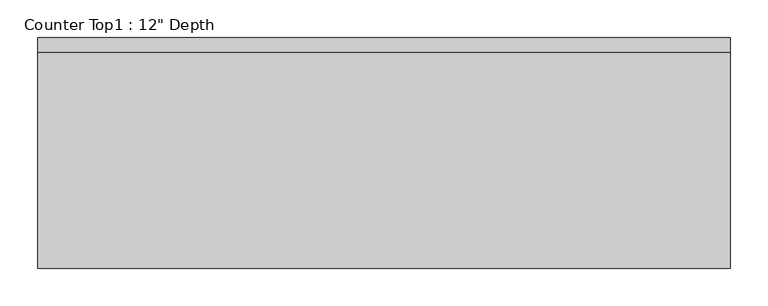
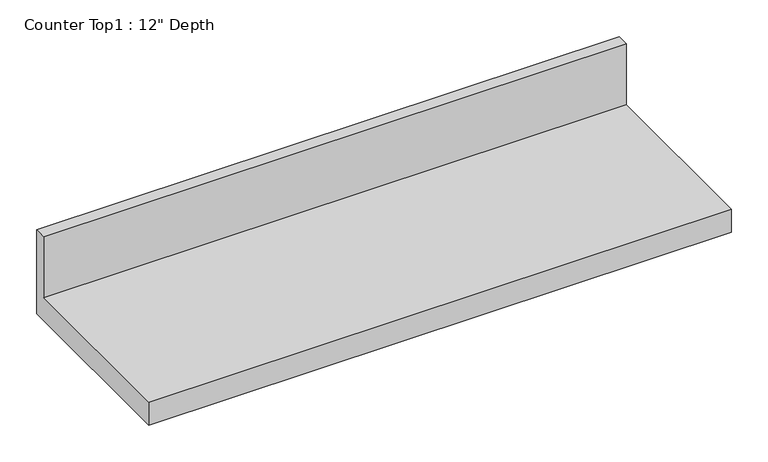
"""IFC4 building model written with IfcOpenShell, lengths in millimetres: furniture geometry."""

import ifcopenshell
import ifcopenshell.guid

model = None  # the IFC model being written
_history = None  # IfcOwnerHistory: only IFC2X3 demands one
_inside = {}  # id of a spatial element -> (the spatial element, [elements in it])
_under = {}  # id of a project, library or spatial element -> (it, [spatial elements below it])
_declared = {}  # id of a project -> (the project, [libraries it declares])
_typed = {}  # id of a type object -> (the type object, [elements of that type])
_made_of = {}  # id of a material, layer set ... -> (it, [elements and type objects made of it])


def new_model(schema):
    """Start an empty IFC model of exactly this schema.

    Asked for "IFC4X3", IfcOpenShell would pick the latest addendum, in which some entities
    have other attributes; the version numbers below select the first issue.
    IFC2X3 requires an IfcOwnerHistory on every rooted entity: one is made here for all.
    """
    global model, _history
    if schema == "IFC4X3":
        model = ifcopenshell.file(schema_version=(4, 3, 0, 0))
    else:
        model = ifcopenshell.file(schema=schema)
    _inside.clear()
    _under.clear()
    _declared.clear()
    _typed.clear()
    _made_of.clear()
    _history = None
    if model.schema == "IFC2X3":
        org = make("IfcOrganization", Name="unknown")
        user = make(
            "IfcPersonAndOrganization",
            ThePerson=make("IfcPerson", FamilyName="unknown"),
            TheOrganization=org,
        )
        app = make(
            "IfcApplication",
            ApplicationDeveloper=org,
            Version="unknown",
            ApplicationFullName="unknown",
            ApplicationIdentifier="unknown",
        )
        _history = make(
            "IfcOwnerHistory",
            OwningUser=user,
            OwningApplication=app,
            ChangeAction="ADDED",
            CreationDate=0,
        )
    return model


def make(cls, **values):
    """One entity of the class cls with the attributes given. An attribute that is None is left unset."""
    return model.create_entity(
        cls, **{name: value for name, value in values.items() if value is not None}
    )


def rooted(cls, **values):
    """An entity with a GlobalId (a new one), such as an element, a storey or a relation."""
    return make(cls, GlobalId=ifcopenshell.guid.new(), OwnerHistory=_history, **values)


def si_unit(unit_type, name, prefix=None):
    """IfcSIUnit, for example si_unit("LENGTHUNIT", "METRE", prefix="MILLI")."""
    return make("IfcSIUnit", UnitType=unit_type, Prefix=prefix, Name=name)


def assignment(units):
    """IfcUnitAssignment: the units of a project."""
    return None if units is None else make("IfcUnitAssignment", Units=units)


def point(xyz):
    """IfcCartesianPoint."""
    return None if xyz is None else make("IfcCartesianPoint", Coordinates=xyz)


def direction(xyz):
    """IfcDirection."""
    return None if xyz is None else make("IfcDirection", DirectionRatios=xyz)


def frame(location, z_axis=None, x_axis=None):
    """IfcAxis2Placement3D, a coordinate frame: its origin and axes. An axis left out is left unset."""
    return make(
        "IfcAxis2Placement3D",
        Location=point(location),
        Axis=direction(z_axis),
        RefDirection=direction(x_axis),
    )


def origin():
    """The frame at (0, 0, 0) with its axes left unset."""
    return frame((0.0, 0.0, 0.0))


def place(relative_to, where):
    """IfcLocalPlacement: puts the frame where relative to a parent placement (None: the world)."""
    return make(
        "IfcLocalPlacement", PlacementRelTo=relative_to, RelativePlacement=where
    )


def context(
    kind, dimensions, precision=None, world=None, true_north=None, identifier=None
):
    """IfcGeometricRepresentationContext, for example the 3D "Model" context."""
    return make(
        "IfcGeometricRepresentationContext",
        ContextIdentifier=identifier,
        ContextType=kind,
        CoordinateSpaceDimension=dimensions,
        Precision=precision,
        WorldCoordinateSystem=world,
        TrueNorth=true_north,
    )


def project(units=None, contexts=None):
    """IfcProject with its units and contexts."""
    return rooted(
        "IfcProject",
        Name="project",
        RepresentationContexts=contexts,
        UnitsInContext=assignment(units),
    )


def spatial(cls, under=None, at=None, **own):
    """A site, building, storey or space (cls), placed at a placement, below another one or the project."""
    s = rooted(cls, ObjectPlacement=at, **own)
    if under is not None:
        _under.setdefault(under.id(), (under, []))[1].append(s)
    return s


def polyline(points):
    """IfcPolyline through the points."""
    return make("IfcPolyline", Points=[point(p) for p in points])


def outline(outer, holes=None, kind="AREA"):
    """IfcArbitraryClosedProfileDef: a profile drawn as a closed curve; with holes, ...WithVoids."""
    if holes is None:
        return make("IfcArbitraryClosedProfileDef", ProfileType=kind, OuterCurve=outer)
    return make(
        "IfcArbitraryProfileDefWithVoids",
        ProfileType=kind,
        OuterCurve=outer,
        InnerCurves=holes,
    )


def extrude(swept, where, along, depth):
    """IfcExtrudedAreaSolid: the profile swept, set in the frame where, extruded along a direction by depth."""
    return make(
        "IfcExtrudedAreaSolid",
        SweptArea=swept,
        Position=where,
        ExtrudedDirection=direction(along),
        Depth=depth,
    )


def shape(context_of_items, identifier, shape_type, items):
    """IfcShapeRepresentation: the items that make up one representation, for example the "Body"."""
    return make(
        "IfcShapeRepresentation",
        ContextOfItems=context_of_items,
        RepresentationIdentifier=identifier,
        RepresentationType=shape_type,
        Items=items,
    )


def source(mapping_origin, context_of_items, identifier, shape_type, items):
    """IfcRepresentationMap: a shape defined once, which mapped items show again and again."""
    return make(
        "IfcRepresentationMap",
        MappingOrigin=mapping_origin,
        MappedRepresentation=shape(context_of_items, identifier, shape_type, items),
    )


def transform(
    local_origin,
    x_axis=None,
    y_axis=None,
    z_axis=None,
    scale=None,
    scale2=None,
    scale3=None,
    uniform=True,
):
    """IfcCartesianTransformationOperator3D, or its non-uniform kind. x_axis, y_axis, z_axis: its Axis1, 2, 3."""
    if uniform:
        return make(
            "IfcCartesianTransformationOperator3D",
            Axis1=direction(x_axis),
            Axis2=direction(y_axis),
            LocalOrigin=point(local_origin),
            Scale=scale,
            Axis3=direction(z_axis),
        )
    return make(
        "IfcCartesianTransformationOperator3DnonUniform",
        Axis1=direction(x_axis),
        Axis2=direction(y_axis),
        LocalOrigin=point(local_origin),
        Scale=scale,
        Axis3=direction(z_axis),
        Scale2=scale2,
        Scale3=scale3,
    )


def mapped(mapping_source, mapping_target):
    """IfcMappedItem: shows the shape of a source again, moved by a transform."""
    return make(
        "IfcMappedItem", MappingSource=mapping_source, MappingTarget=mapping_target
    )


def made_of(thing, what):
    """Note that an element or type object is made of a material, layer set ...; save() writes the relation."""
    if what is not None:
        _made_of.setdefault(what.id(), (what, []))[1].append(thing)
    return thing


def element(
    cls,
    number,
    at=None,
    inside=None,
    cuts=None,
    type_object=None,
    material=None,
    context=None,
    identifier="Body",
    shape_type=None,
    held_by="IfcProductDefinitionShape",
    body=None,
    shapes=None,
    **own,
):
    """One element of the class cls, such as IfcWall. Its Tag is "e" and its number.

    at: its placement. inside: the storey or other place that contains it. cuts: it is an
    opening in that element (IfcRelVoidsElement). A single representation is given by context,
    identifier, shape_type and body (its items); several are given by shapes. held_by: the class
    of the entity that holds the representations. save() writes the other relations.
    """
    e = rooted(cls, Tag="e%d" % number, ObjectPlacement=at, **own)
    if body is not None:
        shapes = [shape(context, identifier, shape_type, body)]
    if shapes is not None:
        e.Representation = make(held_by, Representations=shapes)
    if inside is not None:
        _inside.setdefault(inside.id(), (inside, []))[1].append(e)
    if cuts is not None:
        rooted(
            "IfcRelVoidsElement", RelatingBuildingElement=cuts, RelatedOpeningElement=e
        )
    if type_object is not None:
        _typed.setdefault(type_object.id(), (type_object, []))[1].append(e)
    return made_of(e, material)


def aggregate(whole, parts):
    """IfcRelAggregates: a whole, such as a stair, and the parts it consists of."""
    return rooted("IfcRelAggregates", RelatingObject=whole, RelatedObjects=parts)


def save(model, path):
    """Write the relations noted so far, then the file.

    IfcRelAggregates (storeys below a building ...), IfcRelContainedInSpatialStructure (elements
    in a storey), IfcRelDefinesByType, IfcRelAssociatesMaterial and IfcRelDeclares: one each for
    every whole, place, type object, material and project.
    """
    for whole, parts in _under.values():
        aggregate(whole, parts)
    for where, things in _inside.values():
        rooted(
            "IfcRelContainedInSpatialStructure",
            RelatedElements=things,
            RelatingStructure=where,
        )
    for kind, things in _typed.values():
        rooted("IfcRelDefinesByType", RelatedObjects=things, RelatingType=kind)
    for what, things in _made_of.values():
        rooted("IfcRelAssociatesMaterial", RelatedObjects=things, RelatingMaterial=what)
    for by, libraries in _declared.values():
        rooted("IfcRelDeclares", RelatingContext=by, RelatedDefinitions=libraries)
    model.write(path)


def furniture_0eb33304(model_context):
    return source(origin(), model_context, "Body", "SweptSolid", [
        extrude(outline(polyline([(0.0, 1016.0), (0.0, 876.3), (-304.8, 876.3), (-304.8, 914.4), (-19.05, 914.4), (-19.05, 1016.0), (0.0, 1016.0)])), frame((-1200.4622951, 0.0, 0.0), z_axis=(1.0, 0.0, 0.0), x_axis=(0.0, 1.0, 0.0)), (0.0, 0.0, 1.0), 914.4),
    ])


if __name__ == "__main__":
    model = new_model("IFC4")
    model_context = context("Model", 3, world=origin())
    ifc_project = project(units=[si_unit("LENGTHUNIT", "METRE", prefix="MILLI")], contexts=[model_context])
    site = spatial("IfcSite", under=ifc_project)
    building = spatial("IfcBuilding", under=site)
    placement = place(None, origin())
    furniture_shape = furniture_0eb33304(model_context)
    element("IfcFurniture", 1, ObjectType="Counter Top1 : 12\" Depth", at=placement, inside=building, context=model_context, shape_type="MappedRepresentation", body=[
        mapped(furniture_shape, transform((0.0, 0.0, 0.0), x_axis=(1.0, 0.0, 0.0), y_axis=(0.0, 1.0, 0.0), z_axis=(0.0, 0.0, 1.0))),
    ])
    save(model, "model.ifc")
